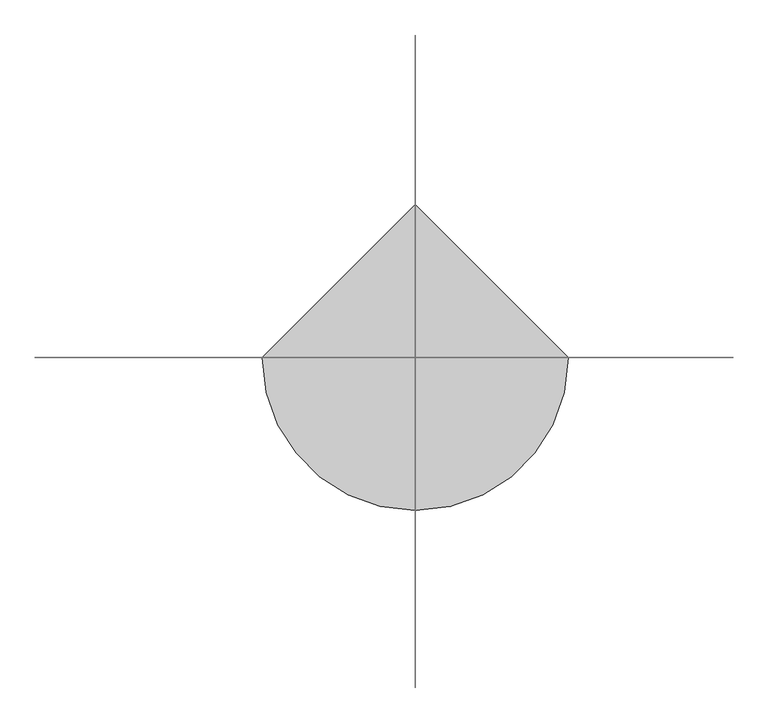
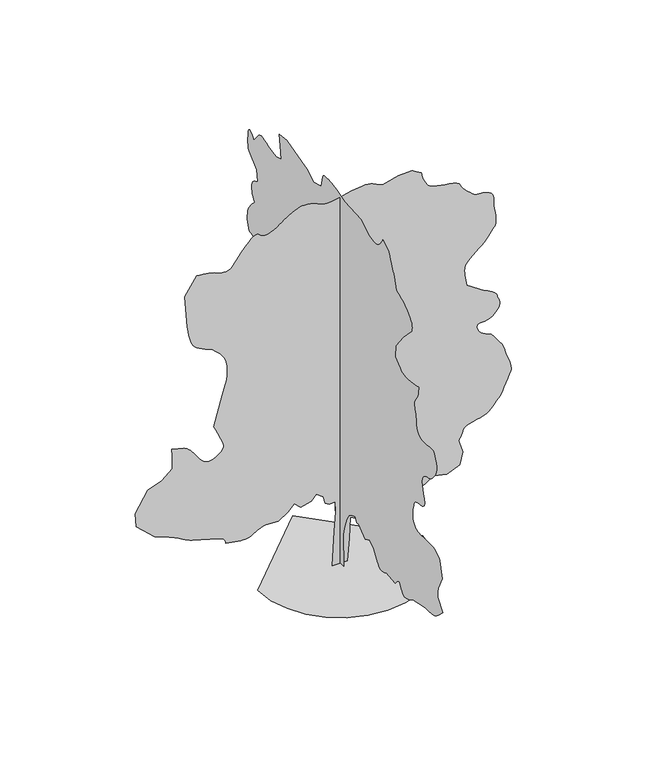
"""IFC4 building model written with IfcOpenShell, lengths in millimetres: geographic element geometry."""

from ifc_helpers import new_model, si_unit, origin, place, context, project, spatial, triangles, source, transform, mapped, element, save


def geographic_element_3799e545(model_context):
    return source(origin(), model_context, "Body", "Tessellation", [
        triangles([(-0.0016876, 163.832478, 0.0085608), (-0.0016876, -150.8808976, 0.0085608), (-0.0016876, -123.5141451, 779.9515205), (-0.0016876, -178.2471505, 1012.5653744), (-0.0016876, -260.3461545, 1231.4963425), (-0.0016876, -356.128771, 1382.0105564), (-0.0016876, -465.5942914, 1450.4273106), (-0.0016876, -602.4255106, 1505.1588535), (-0.0016876, -657.1595243, 1382.0105564), (-0.0016876, -752.9421953, 1409.3761826), (-0.0016876, -862.4076794, 1299.9107712), (-0.0016876, -1012.9218206, 1204.1281002), (-0.0016876, -1190.8042042, 1286.2278854), (-0.0016876, -1355.0011585, 1176.7623287), (-0.0016876, -1464.4667152, 985.1971321), (-0.0016876, -1490.9552147, 947.379019), (-0.0016876, -1518.0429508, 911.3555637), (-0.0016876, -1546.3262535, 878.9241858), (-0.0016876, -1576.4068302, 851.8769268), (-0.0016876, -1608.8786854, 832.0111336), (-0.0016876, -1644.3435265, 821.1189205), (-0.0016876, -1683.3976833, 821.0001051), (-0.0016876, -1720.8568794, 827.6608177), (-0.0016876, -1751.8549873, 835.7598146), (-0.0016876, -1777.4638893, 845.0544508), (-0.0016876, -1798.7681122, 855.307168), (-0.0016876, -1816.8391022, 866.2777193), (-0.0016876, -1832.7565899, 877.7285465), (-0.0016876, -1847.5972538, 889.4144611), (-0.0016876, -2203.3594048, 848.3658766), (-0.0016876, -2238.4248516, 888.8583904), (-0.0016876, -2272.772319, 925.9965305), (-0.0016876, -2305.6839729, 956.4360243), (-0.0016876, -2336.4419792, 976.8200272), (-0.0016876, -2364.3258877, 983.8017958), (-0.0016876, -2388.6204803, 974.0293545), (-0.0016876, -2408.6076324, 944.1484749), (-0.0016876, -2428.6731228, 901.1838009), (-0.0016876, -2453.5261116, 856.783386), (-0.0016876, -2482.9269333, 814.5365461), (-0.0016876, -2516.6373756, 778.0354311), (-0.0016876, -2554.4225693, 750.8693567), (-0.0016876, -2596.0299133, 736.6278568), (-0.0016876, -2641.2265732, 738.9003199), (-0.0016876, -2686.5496788, 752.2242886), (-0.0016876, -2728.9909836, 768.419739), (-0.0016876, -2769.0309814, 787.0115547), (-0.0016876, -2807.1751648, 807.5169165), (-0.0016876, -2843.8787384, 829.4580917), (-0.0016876, -2879.6213242, 852.3546593), (-0.0016876, -2914.8839973, 875.7315754), (-0.0016876, -3407.4722443, 971.5142464), (-0.0016876, -3468.9225632, 971.6355326), (-0.0016876, -3529.5136322, 972.4722548), (-0.0016876, -3588.4361984, 974.7472612), (-0.0016876, -3644.831012, 979.1733719), (-0.0016876, -3697.8891106, 986.4761238), (-0.0016876, -3746.7762428, 997.3657934), (-0.0016876, -3790.6078697, 1012.5653744), (-0.0016876, -3832.8471519, 1034.5444107), (-0.0016876, -3877.2601387, 1064.4252903), (-0.0016876, -3923.4427849, 1100.8885443), (-0.0016876, -3971.09133, 1142.6145584), (-0.0016876, -4019.8017288, 1188.2915668), (-0.0016876, -4069.2199333, 1236.6024261), (-0.0016876, -4119.0171844, 1286.2278854), (-0.0016876, -3927.4367271, 1505.1588535), (-0.0016876, -3921.7492836, 1546.169577), (-0.0016876, -3916.9969574, 1586.9400536), (-0.0016876, -3914.1657349, 1627.2304722), (-0.0016876, -3914.191024, 1666.8053822), (-0.0016876, -3918.0585205, 1705.4197403), (-0.0016876, -3926.7289215, 1742.8410027), (-0.0016876, -3941.1373444, 1778.8238354), (-0.0016876, -4091.6412392, 2093.5374744), (-0.0016876, -3995.8636551, 2476.6653969), (-0.0016876, -3988.3562645, 2487.236554), (-0.0016876, -3966.0105354, 2514.3244354), (-0.0016876, -3929.0796501, 2550.9846977), (-0.0016876, -3877.7659218, 2590.2916008), (-0.0016876, -3812.3469498, 2625.2760933), (-0.0016876, -3733.0503365, 2649.0121445), (-0.0016876, -3640.1039749, 2654.5478531), (-0.0016876, -3536.5408195, 2650.2507317), (-0.0016876, -3429.8685516, 2648.5569397), (-0.0016876, -3327.0132019, 2648.8098312), (-0.0016876, -3234.9513794, 2650.2507317), (-0.0016876, -3160.5841164, 2652.1465462), (-0.0016876, -3110.8880219, 2653.8400475), (-0.0016876, -3092.7638374, 2654.5478531), (-0.0016876, -3082.1470436, 2661.7773537), (-0.0016876, -3054.7966782, 2682.1511101), (-0.0016876, -3017.3600098, 2713.7991783), (-0.0016876, -2976.5869171, 2754.7490044), (-0.0016876, -2939.1758286, 2803.1559334), (-0.0016876, -2911.8251724, 2857.0482834), (-0.0016876, -2901.2086693, 2914.5299492), (-0.0016876, -2903.2056404, 2971.9613274), (-0.0016876, -2908.7919273, 3027.268998), (-0.0016876, -2917.3611717, 3080.7567215), (-0.0016876, -2928.331723, 3132.8291245), (-0.0016876, -2941.0969322, 3183.8143845), (-0.0016876, -2955.050441, 3234.0665497), (-0.0016876, -2969.6103081, 3283.9649574), (-0.0016876, -2981.5921349, 3298.5756935), (-0.0016876, -2994.9892822, 3312.8070923), (-0.0016876, -3011.2682304, 3326.3306854), (-0.0016876, -3031.8443001, 3338.7927155), (-0.0016876, -3058.1836807, 3349.7885559), (-0.0016876, -3091.7019836, 3359.0147369), (-0.0016876, -3133.8148201, 3366.0672134), (-0.0016876, -3184.7497925, 3370.3899147), (-0.0016876, -3239.7795731, 3375.4201309), (-0.0016876, -3292.8629608, 3386.8961746), (-0.0016876, -3338.0596207, 3410.5816475), (-0.0016876, -3369.3786392, 3452.2392792), (-0.0016876, -3380.8296844, 3517.5823837), (-0.0016876, -3366.4212616, 3612.3742722), (-0.0016876, -3336.9471886, 3719.5267433), (-0.0016876, -3309.8747131, 3817.8067909), (-0.0016876, -3289.2480652, 3906.78479), (-0.0016876, -3279.1370544, 3985.9293777), (-0.0016876, -3283.6617783, 4054.7862213), (-0.0016876, -3306.841468, 4112.8745361), (-0.0016876, -3352.7459335, 4159.6891205), (-0.0016876, -3409.0395905, 4192.4996178), (-0.0016876, -3461.2634377, 4212.5954842), (-0.0016876, -3510.3528831, 4225.7653198), (-0.0016876, -3557.3192024, 4237.7215668), (-0.0016876, -3603.071933, 4254.2534065), (-0.0016876, -3648.5973518, 4281.0477013), (-0.0016876, -3694.8302856, 4323.8936325), (-0.0016876, -3741.9480492, 4378.3926315), (-0.0016876, -3786.8921082, 4436.4809464), (-0.0016876, -3825.8705429, 4498.3861794), (-0.0016876, -3855.0411461, 4564.3612221), (-0.0016876, -3870.5617104, 4634.6589661), (-0.0016876, -3868.5900284, 4709.5064323), (-0.0016876, -3845.3344711, 4789.131514), (-0.0016876, -3817.2507202, 4864.434185), (-0.0016876, -3798.2669952, 4925.8842133), (-0.0016876, -3780.7244614, 4972.9516891), (-0.0016876, -3756.9378319, 5005.1811172), (-0.0016876, -3719.2738518, 5022.091713), (-0.0016876, -3660.0733955, 5023.2038544), (-0.0016876, -3571.677047, 5008.0623367), (-0.0016876, -3466.799437, 4991.303476), (-0.0016876, -3365.9916367, 4987.9414719), (-0.0016876, -3273.3231651, 4998.0019043), (-0.0016876, -3192.8638321, 5021.4597748), (-0.0016876, -3128.6581581, 5058.314502), (-0.0016876, -3084.8265312, 5108.592247), (-0.0016876, -3065.3878922, 5172.2418503), (-0.0016876, -3058.7397514, 5240.2388626), (-0.0016876, -3050.651001, 5303.8884659), (-0.0016876, -3041.3486618, 5363.9737518), (-0.0016876, -3031.0859161, 5421.1778183), (-0.0016876, -3020.1153648, 5476.2325974), (-0.0016876, -3008.6646103, 5529.8467667), (-0.0016876, -2996.9862534, 5582.753421), (-0.0016876, -2985.6110756, 5620.8976044), (-0.0016876, -2976.4101837, 5659.1429443), (-0.0016876, -2971.4808334, 5697.6405945), (-0.0016876, -2973.0481796, 5736.4928741), (-0.0016876, -2983.2097687, 5775.8247757), (-0.0016876, -3004.1651756, 5815.7641983), (-0.0016876, -3038.037236, 5856.4105545), (-0.0016876, -3074.2603157, 5906.2836731), (-0.0016876, -3101.6109718, 5968.8211349), (-0.0016876, -3121.3277916, 6036.6414139), (-0.0016876, -3134.573204, 6102.3129868), (-0.0016876, -3142.5610886, 6158.4043304), (-0.0016876, -3146.4538742, 6197.4839218), (-0.0016876, -3147.4901482, 6212.1702347), (-0.0016876, -3127.3184143, 6207.6710907), (-0.0016876, -3073.1481743, 6196.2200455), (-0.0016876, -2994.5596573, 6180.9523727), (-0.0016876, -2901.1328018, 6164.9516052), (-0.0016876, -2802.4231293, 6151.3518539), (-0.0016876, -2708.0355766, 6143.2378143), (-0.0016876, -2627.525956, 6143.7685959), (-0.0016876, -2559.5539421, 6155.5986877), (-0.0016876, -2495.8918396, 6178.2223068), (-0.0016876, -2435.8141113, 6209.8197968), (-0.0016876, -2378.6078648, 6248.5959183), (-0.0016876, -2323.5554111, 6292.7560135), (-0.0016876, -2269.9410965, 6340.5060059), (-0.0016876, -2217.0422905, 6390.0500748), (-0.0016876, -2230.7251762, 6677.4081161), (-0.0016876, -2531.7483719, 7060.5440323), (-0.0016876, -2873.832724, 7416.3037125), (-0.0016876, -2879.1916992, 7460.4132294), (-0.0016876, -2881.4159821, 7505.3825775), (-0.0016876, -2877.4223305, 7552.0198471), (-0.0016876, -2864.1007599, 7601.1598709), (-0.0016876, -2838.3427391, 7653.6618988), (-0.0016876, -2797.0135757, 7710.3346024), (-0.0016876, -2737.0041573, 7772.0633926), (-0.0016876, -2666.6305458, 7831.390004), (-0.0016876, -2596.257225, 7881.3642792), (-0.0016876, -2525.8914619, 7923.5785629), (-0.0016876, -2455.5207573, 7959.5484604), (-0.0016876, -2385.149762, 7990.8680603), (-0.0016876, -2314.778912, 8019.0779663), (-0.0016876, -2244.408062, 8045.7205261), (-0.0016876, -2223.8648392, 8115.8918243), (-0.0016876, -2203.2001122, 8184.874823), (-0.0016876, -2182.2954288, 8251.4568054), (-0.0016876, -2161.0317558, 8314.4488907), (-0.0016876, -2139.2903503, 8372.6383621), (-0.0016876, -2116.9523243, 8424.8625), (-0.0016876, -2093.8939934, 8469.9074249), (-0.0016876, -2068.3228798, 8519.0224503), (-0.0016876, -2040.1179153, 8579.6129379), (-0.0016876, -2011.6753201, 8644.7537292), (-0.0016876, -1985.3865177, 8707.4935043), (-0.0016876, -1963.6449669, 8760.9309402), (-0.0016876, -1948.8448528, 8798.0635574), (-0.0016876, -1943.3773087, 8811.991777), (-0.0016876, -1710.7634548, 8948.8206345), (-0.0016876, -1698.8372932, 8925.2366089), (-0.0016876, -1685.7130943, 8900.944487), (-0.0016876, -1670.1925301, 8875.2117554), (-0.0016876, -1651.0851208, 8847.3303177), (-0.0016876, -1627.1899223, 8816.5670792), (-0.0016876, -1597.3090427, 8782.2145248), (-0.0016876, -1560.2492409, 8743.5645584), (-0.0016876, -1515.6086517, 8710.0968338), (-0.0016876, -1464.5071198, 8690.2794388), (-0.0016876, -1408.0188526, 8681.811351), (-0.0016876, -1347.2231449, 8682.4432892), (-0.0016876, -1283.194495, 8689.8998108), (-0.0016876, -1217.0121975, 8701.9072174), (-0.0016876, -1149.7530035, 8716.1889038), (-0.0016876, -848.7222502, 8921.4449799), (-0.0016876, -191.9302724, 8962.4959625), (-0.0016876, -107.0787747, 8985.8270966), (-0.0016876, -23.3040554, 9008.4507156), (-0.0016876, 58.316385, 9029.633725), (-0.0016876, 136.7053639, 9048.6680283), (-0.0016876, 210.7859892, 9064.8205307), (-0.0016876, 279.4814328, 9077.3837173), (-0.0016876, 341.7128632, 9085.6494919), (-0.0016876, 403.0696558, 9091.9432938), (-0.0016876, 467.2954594, 9097.5295807), (-0.0016876, 530.565798, 9100.0073364), (-0.0016876, 589.0485291, 9096.9738007), (-0.0016876, 638.9140537, 9086.053537), (-0.0016876, 676.3327726, 9064.8205307), (-0.0016876, 697.4776302, 9030.9225998), (-0.0016876, 765.8919863, 8757.2398865), (-0.0016876, 1066.9227396, 8675.1629196), (-0.0016876, 1340.5877941, 8839.3424332), (-0.0016876, 1682.6672047, 8921.4449799), (-0.0016876, 2134.2120266, 9058.2732559), (-0.0016876, 2435.2427799, 9017.2222733), (-0.0016876, 2407.8745377, 8757.2398865), (-0.0016876, 2353.1429947, 8456.2320969), (-0.0016876, 2572.0665504, 8387.8048782), (-0.0016876, 2790.9973732, 8428.8564423), (-0.0016876, 2875.6526711, 8460.6556641), (-0.0016876, 2958.0331078, 8489.6998215), (-0.0016876, 3035.8635315, 8513.2332687), (-0.0016876, 3106.8687904, 8528.5015228), (-0.0016876, 3168.7993126, 8532.7733551), (-0.0016876, 3219.3296585, 8523.2687027), (-0.0016876, 3256.2352547, 8497.2580811), (-0.0016876, 3461.49104, 8250.9766022), (-0.0016876, 3508.1286003, 8305.5005997), (-0.0016876, 3553.0723686, 8352.9721207), (-0.0016876, 3594.6797127, 8386.33927), (-0.0016876, 3631.2568405, 8398.4978302), (-0.0016876, 3661.1349586, 8382.4209045), (-0.0016876, 3682.6464363, 8331.0310181), (-0.0016876, 3694.0971909, 8237.2756943), (-0.0016876, 3697.5603516, 8133.1564682), (-0.0016876, 3696.7261002, 8052.7480042), (-0.0016876, 3692.302533, 7992.0557785), (-0.0016876, 3684.9971649, 7947.187587), (-0.0016876, 3675.5433815, 7914.1494873), (-0.0016876, 3664.6486977, 7889.0236954), (-0.0016876, 3653.0462082, 7867.840686), (-0.0016876, 3338.3375107, 7607.8588806), (-0.0016876, 3310.9618561, 7320.5258377), (-0.0016876, 3354.7176155, 7302.679834), (-0.0016876, 3397.1842094, 7283.418219), (-0.0016876, 3436.9968956, 7261.2748032), (-0.0016876, 3472.840638, 7234.8339752), (-0.0016876, 3503.4521416, 7202.630127), (-0.0016876, 3527.4660828, 7163.2476471), (-0.0016876, 3543.5680069, 7115.270343), (-0.0016876, 3549.7359444, 7062.4904251), (-0.0016876, 3545.8178696, 7009.7099258), (-0.0016876, 3533.5328636, 6956.9300079), (-0.0016876, 3514.5491386, 6904.15009), (-0.0016876, 3490.5351974, 6851.3701721), (-0.0016876, 3463.1592522, 6798.5902542), (-0.0016876, 3434.1150948, 6745.8097549), (-0.0016876, 3477.9217232, 6701.8263931), (-0.0016876, 3520.6412086, 6657.6912964), (-0.0016876, 3561.2119881, 6613.3288879), (-0.0016876, 3598.5472092, 6568.6124313), (-0.0016876, 3631.5853088, 6523.4157715), (-0.0016876, 3659.2391441, 6477.6127533), (-0.0016876, 3680.4221535, 6431.1016388), (-0.0016876, 3695.6139587, 6385.7782425), (-0.0016876, 3706.5086426, 6343.336647), (-0.0016876, 3713.8140106, 6303.2966492), (-0.0016876, 3718.2375778, 6265.1524658), (-0.0016876, 3720.5127296, 6228.4494736), (-0.0016876, 3721.3466904, 6192.7063065), (-0.0016876, 3721.4731361, 6157.443924), (-0.0016876, 3639.3708801, 5924.8377731), (-0.0016876, 3601.2772751, 5918.7207047), (-0.0016876, 3563.2848267, 5911.1874435), (-0.0016876, 3525.5449791, 5900.772963), (-0.0016876, 3488.1591797, 5886.0616516), (-0.0016876, 3451.2788727, 5865.5867386), (-0.0016876, 3414.9546364, 5837.9326126), (-0.0016876, 3379.388784, 5801.6842438), (-0.0016876, 3346.9826225, 5758.63629), (-0.0016876, 3319.6319664, 5711.998439), (-0.0016876, 3296.4522766, 5662.378212), (-0.0016876, 3276.6093018, 5610.3563873), (-0.0016876, 3259.2937889, 5556.5399048), (-0.0016876, 3243.6723587, 5501.535704), (-0.0016876, 3228.8593094, 5445.9245636), (-0.0016876, 3196.8324852, 5401.9156219), (-0.0016876, 3166.119825, 5357.806105), (-0.0016876, 3138.0363647, 5313.4436966), (-0.0016876, 3113.8959778, 5268.7016602), (-0.0016876, 3095.0386986, 5223.5050003), (-0.0016876, 3082.7284035, 5177.7269806), (-0.0016876, 3078.3554146, 5131.2158661), (-0.0016876, 3092.0307426, 4761.7555687), (-0.0016876, 3124.0575668, 4758.5200104), (-0.0016876, 3154.7955162, 4753.4897942), (-0.0016876, 3182.8792671, 4744.8952606), (-0.0016876, 3206.9940742, 4730.8914642), (-0.0016876, 3225.8766426, 4709.7087456), (-0.0016876, 3238.1616486, 4679.5268669), (-0.0016876, 3242.5599266, 4638.60233), (-0.0016876, 3241.3466286, 4591.3075424), (-0.0016876, 3238.0099136, 4543.2543709), (-0.0016876, 3232.8532516, 4494.6451286), (-0.0016876, 3226.2809784, 4445.530394), (-0.0016876, 3218.6218529, 4396.0616112), (-0.0016876, 3210.2296326, 4346.3655167), (-0.0016876, 3201.5089439, 4296.5176872), (-0.0016876, 3187.8083267, 4022.8602631), (-0.0016876, 3447.7904228, 4036.5608803), (-0.0016876, 3735.1484642, 4091.2874817), (-0.0016876, 3796.2953133, 4070.5849663), (-0.0016876, 3854.9399895, 4048.7953079), (-0.0016876, 3908.5541588, 4024.8572342), (-0.0016876, 3954.6356483, 3997.6836021), (-0.0016876, 3990.6564148, 3966.2128487), (-0.0016876, 4014.1142853, 3929.3578308), (-0.0016876, 4022.4812164, 3886.0316963), (-0.0016876, 4020.1051987, 3831.1536507), (-0.0016876, 4013.4064796, 3761.8924713), (-0.0016876, 4003.0931557, 3680.6747543), (-0.0016876, 3989.9486092, 3589.8768082), (-0.0016876, 3974.6303581, 3491.9002304), (-0.0016876, 3957.8712067, 3389.1207481), (-0.0016876, 3940.4042496, 3283.9649574), (-0.0016876, 3817.2507202, 2955.5812225), (-0.0016876, 3749.986512, 2917.841375), (-0.0016876, 3683.809156, 2882.3766792), (-0.0016876, 3619.7805061, 2851.4619965), (-0.0016876, 3558.9874146, 2827.3721878), (-0.0016876, 3502.4917351, 2812.3571159), (-0.0016876, 3451.3800293, 2808.742511), (-0.0016876, 3406.7394402, 2818.7523651), (-0.0016876, 3023.6291039, 2982.9318787), (-0.0016876, 2640.4934784, 2859.8036385), (-0.0016876, 2366.8258804, 2668.2231812), (-0.0016876, 2093.1633694, 2257.7344288), (-0.0016876, 2066.6748699, 2216.9235477), (-0.0016876, 2039.5871338, 2177.5508057), (-0.0016876, 2011.301215, 2141.0496906), (-0.0016876, 1981.2232544, 2108.8558708), (-0.0016876, 1948.7513992, 2082.4076305), (-0.0016876, 1913.2865582, 2063.1384579), (-0.0016876, 1874.2324013, 2052.4863464), (-0.0016876, 1835.2565826, 2048.9374352), (-0.0016876, 1798.6745132, 2049.2154705), (-0.0016876, 1761.8523422, 2052.1273567), (-0.0016876, 1722.1611603, 2056.4752018), (-0.0016876, 1676.9618843, 2061.0631485), (-0.0016876, 1623.6257504, 2064.6930141), (-0.0016876, 1559.5187622, 2066.1692322), (-0.0016876, 1490.742873, 2060.9848103), (-0.0016876, 1424.841227, 2046.4627316), (-0.0016876, 1361.330714, 2024.1626392), (-0.0016876, 1299.7363632, 1995.6390896), (-0.0016876, 1239.5776806, 1962.4494003), (-0.0016876, 1180.377079, 1926.1479824), (-0.0016876, 1121.6567533, 1888.2893921), (-0.0016876, 1039.5569681, 1655.6755383), (-0.0016876, 806.9431143, 1395.6932968), (-0.0016876, 774.8277054, 1360.9060307), (-0.0016876, 737.6895653, 1326.8392147), (-0.0016876, 696.3603292, 1293.368874), (-0.0016876, 651.6793356, 1260.3787365), (-0.0016876, 604.4856683, 1227.745118), (-0.0016876, 555.6186293, 1195.3541445), (-0.0016876, 505.912361, 1163.0795156), (-0.0016876, 423.8126121, 1450.4273106), (-0.0016876, 286.9813565, 1641.9900364), (-0.0016876, 232.2486145, 1518.8417393), (-0.0016876, 191.1987401, 1327.2790134), (-0.0016876, 177.5158543, 985.1971321), (-0.0016876, 150.1493561, 506.286466), (169.54274, 0.0004339, 0.0216695), (-186.21952, 0.0004339, 0.0216695), (-131.4872685, 0.0003851, 821.0127497), (-104.1207612, 0.0003564, 1299.9234158), (-117.8038922, 0.0003417, 1546.2226261), (-254.6358926, 0.0003425, 1532.5397404), (-350.4185091, 0.0003394, 1587.2712833), (-391.46713, 0.0003287, 1765.1535942), (-555.6666641, 0.0003221, 1874.6191509), (-665.1321482, 0.0003294, 1751.4707085), (-911.4288877, 0.0003336, 1683.0539543), (-1061.9455725, 0.0003255, 1819.8851372), (-1212.4596411, 0.0003344, 1669.3710686), (-1431.3906818, 0.0003425, 1532.5397404), (-1759.7872066, 0.0003417, 1546.2226261), (-1923.984161, 0.0003459, 1477.8057266), (-1959.2517757, 0.0003475, 1451.5952625), (-1994.9945068, 0.000349, 1426.464093), (-2031.695319, 0.0003503, 1403.4865711), (-2069.8345608, 0.0003514, 1383.7395206), (-2109.8872032, 0.0003524, 1368.2997654), (-2152.3311241, 0.000353, 1358.2468906), (-2197.6491428, 0.0003532, 1354.6574295), (-2248.1541996, 0.0003532, 1356.2523903), (-2305.1201992, 0.000353, 1360.7215942), (-2367.4704632, 0.0003524, 1367.5819313), (-2434.1331093, 0.0003519, 1376.3584305), (-2504.0236107, 0.0003514, 1386.5705978), (-2576.060202, 0.0003506, 1397.7408463), (-2649.1888779, 0.0003501, 1409.3914433), (-2652.5761711, 0.0003483, 1438.632827), (-2658.7188194, 0.0003464, 1467.3938622), (-2670.3718872, 0.0003449, 1495.1994324), (-2690.2907295, 0.0003433, 1521.5691891), (-2721.2054123, 0.0003417, 1546.022929), (-2765.8712906, 0.0003404, 1568.0829197), (-2827.068718, 0.0003394, 1587.2712833), (-3429.1354568, 0.0003287, 1765.1535942), (-3478.2754807, 0.0003279, 1780.7500259), (-3530.7775085, 0.0003266, 1802.8124874), (-3584.9477486, 0.000325, 1829.419875), (-3639.1179886, 0.0003232, 1858.6612587), (-3691.6200165, 0.0003213, 1888.6204765), (-3740.7853294, 0.0003198, 1917.3841278), (-3784.895137, 0.0003182, 1943.0335796), (-3832.3416595, 0.0003166, 1967.6868713), (-3891.2642258, 0.0003151, 1994.4965721), (-3959.741732, 0.0003132, 2023.09846), (-4035.903653, 0.0003117, 2053.1384869), (-4117.8038864, 0.0003098, 2084.2554829), (-4203.5207474, 0.0003078, 2116.0878422), (-4291.1842918, 0.0003059, 2148.281662), (-4715.3456108, 0.0002822, 2545.0949409), (-4742.7215561, 0.0002626, 2873.4789665), (-4455.3635147, 0.0002349, 3338.716848), (-4126.9794891, 0.0002276, 3461.8700867), (-3880.6727211, 0.0002153, 3667.125872), (-3880.6727211, 0.0001967, 3981.8345695), (-3894.3733383, 0.0001868, 4146.0390816), (-3607.0152969, 0.000191, 4077.6121536), (-3574.6597137, 0.0001923, 4056.7579033), (-3541.7227707, 0.0001936, 4033.8561035), (-3507.5725296, 0.0001952, 4006.8847847), (-3471.6273399, 0.000197, 3973.8213959), (-3433.281134, 0.0001996, 3932.5933891), (-3391.95168, 0.0002027, 3881.2287918), (-3347.0332008, 0.0002064, 3817.6297668), (-3301.507782, 0.0002103, 3750.8207634), (-3257.6761551, 0.000214, 3691.8981972), (-3213.8445282, 0.0002168, 3642.0756569), (-3168.3191093, 0.0002192, 3602.5411514), (-3119.4572662, 0.000221, 3574.4826897), (-3065.5649162, 0.0002218, 3559.1391495), (-3004.9488487, 0.0002218, 3557.6476707), (-2938.6956253, 0.000221, 3572.8144775), (-2871.9621986, 0.0002192, 3603.5268471), (-2809.2732925, 0.0002166, 3645.2606369), (-2755.2294983, 0.0002137, 3693.4399635), (-2714.3299599, 0.0002108, 3743.5406845), (-2691.1502701, 0.000208, 3791.0124962), (-2690.2401512, 0.0002056, 3831.3050949), (-2706.3673645, 0.000203, 3874.8841209), (-2730.3813057, 0.0001996, 3933.5285065), (-2760.9675201, 0.0001952, 4004.7360786), (-2796.8365517, 0.0001905, 4085.9790848), (-2836.6492378, 0.0001852, 4174.7797691), (-2879.0905426, 0.0001795, 4268.6109604), (-2922.846302, 0.0001737, 4364.970195), (-2731.2914246, 0.0001322, 5062.7886475), (-2705.078199, 0.0001275, 5141.7820816), (-2679.9521164, 0.0001228, 5219.6883728), (-2656.9744492, 0.0001183, 5295.4459579), (-2637.2326309, 0.0001139, 5367.9932739), (-2621.7879341, 0.00011, 5436.1925995), (-2611.727211, 0.0001061, 5499.0329498), (-2608.1378952, 0.0001029, 5555.4027649), (-2609.0730125, 9.95e-05, 5610.4069656), (-2612.1318375, 9.61e-05, 5668.7737518), (-2617.8445702, 9.25e-05, 5728.8084595), (-2626.6664154, 8.88e-05, 5788.8431671), (-2639.052578, 8.54e-05, 5847.2093719), (-2655.5338394, 8.2e-05, 5902.2141541), (-2676.5648232, 7.92e-05, 5952.2134277), (-2703.6120094, 7.63e-05, 5998.7245422), (-2737.1303123, 7.37e-05, 6044.5281418), (-2776.0075905, 7.11e-05, 6089.7248016), (-2819.2075699, 6.82e-05, 6134.4412582), (-2865.6428169, 6.56e-05, 6178.8036667), (-2914.2520592, 6.3e-05, 6222.9131836), (-2963.8975754, 6.03e-05, 6266.9221252), (-3042.7389839, 5.85e-05, 6299.2271301), (-3119.532843, 5.64e-05, 6331.9111816), (-3192.2571831, 5.46e-05, 6365.3033295), (-3258.864164, 5.25e-05, 6399.7570404), (-3317.3571053, 5.04e-05, 6435.6769409), (-3365.6628777, 4.81e-05, 6473.3659195), (-3401.7595116, 4.57e-05, 6513.229184), (-3430.1717308, 4.26e-05, 6566.36315), (-3456.4355347, 3.84e-05, 6638.4046829), (-3480.0448494, 3.34e-05, 6721.4676361), (-3500.5453423, 2.82e-05, 6807.6397018), (-3517.455938, 2.33e-05, 6889.0085724), (-3530.2973053, 1.93e-05, 6957.713681), (-3538.6136581, 1.65e-05, 7005.8171402), (-3593.3399689, -2.93e-05, 7772.0633926), (-3319.6572556, -5.46e-05, 8196.2497101), (-3246.5538689, -5.41e-05, 8187.3519974), (-3174.5120453, -5.36e-05, 8177.8729248), (-3104.6192184, -5.28e-05, 8167.1805542), (-3037.9363701, -5.2e-05, 8154.6935257), (-2975.6012215, -5.12e-05, 8139.8048996), (-2918.6250481, -5.02e-05, 8121.933316), (-2868.1199913, -4.89e-05, 8100.4724167), (-2816.7806831, -4.75e-05, 8079.7190323), (-2758.970549, -4.68e-05, 8065.2100342), (-2698.3039032, -4.62e-05, 8058.1069794), (-2638.3447723, -4.65e-05, 8059.6237473), (-2582.6830536, -4.7e-05, 8070.948056), (-2534.9333519, -4.83e-05, 8093.2937851), (-2498.6774254, -5.04e-05, 8127.8230728), (-2279.7464573, -6.77e-05, 8415.1811142), (-2221.2636898, -7.16e-05, 8482.1165634), (-2163.7390034, -7.55e-05, 8546.0696365), (-2108.1303337, -7.89e-05, 8604.0312149), (-2055.3908203, -8.18e-05, 8653.0195038), (-2006.4833405, -8.41e-05, 8690.0515457), (-1962.3608883, -8.54e-05, 8712.0938049), (-1923.984161, -8.57e-05, 8716.2144836), (-1893.1072666, -8.49e-05, 8705.9261581), (-1867.9760971, -8.39e-05, 8689.1672974), (-1844.2807411, -8.28e-05, 8669.5260544), (-1817.7112873, -8.18e-05, 8650.6184875), (-1783.9629112, -8.07e-05, 8636.0333313), (-1738.7232307, -8.05e-05, 8629.3343216), (-1677.6874214, -8.07e-05, 8634.111937), (-1604.7635296, -8.2e-05, 8654.8653214), (-1529.9260918, -8.39e-05, 8689.4957657), (-1457.9576649, -8.65e-05, 8731.7600464), (-1393.6509796, -8.91e-05, 8775.4905167), (-1341.7909184, -9.14e-05, 8814.4183731), (-1307.1629448, -9.3e-05, 8842.3503891), (-1294.5568829, -9.38e-05, 8853.0427597), (-1279.1197437, -9.43e-05, 8862.9264587), (-1238.0710865, -9.59e-05, 8888.6341919), (-1179.3078129, -9.8e-05, 8924.1238861), (-1110.7316935, -0.0001003, 8963.456369), (-1040.242028, -0.0001024, 9000.6401459), (-975.7356457, -0.0001042, 9029.6843033), (-925.1117735, -0.000105, 9044.5979279), (-877.0814203, -0.0001053, 9047.9093536), (-817.3222046, -0.0001053, 9045.9629608), (-749.1858839, -0.0001048, 9038.5064392), (-676.0218178, -0.000104, 9025.3113144), (-601.18438, -0.0001029, 9006.1252762), (-528.0203138, -0.0001014, 8980.6960144), (-459.8840295, -9.95e-05, 8948.8206345), (-387.3999364, -9.8e-05, 8922.8094315), (-300.5530027, -9.74e-05, 8913.3303589), (-201.7383039, -9.74e-05, 8917.6021912), (-93.349898, -9.85e-05, 8932.8704453), (22.2192084, -9.98e-05, 8956.4038925), (142.5753726, -0.0001016, 8985.4480499), (265.3258651, -0.0001035, 9017.2472717), (350.0570486, -0.0001042, 9028.7238968), (432.9935197, -0.0001048, 9038.7843292), (512.3404933, -0.0001053, 9045.9629608), (586.3008044, -0.0001053, 9048.8447617), (653.0822296, -0.0001053, 9045.9629608), (710.8874949, -0.0001045, 9035.9025284), (757.9193624, -0.0001035, 9017.2472717), (797.3729862, -0.0001022, 8995.3823273), (833.9549829, -0.0001011, 8976.3986023), (868.1432304, -0.0001001, 8959.7908951), (900.4153885, -9.93e-05, 8945.1045822), (931.2542765, -9.85e-05, 8931.8844589), (961.1326126, -9.77e-05, 8919.5741638), (990.5332163, -9.69e-05, 8907.7696518), (1346.2954399, -0.0001027, 9003.5469452), (1661.009079, -0.0001035, 9017.2472717), (1879.9426632, -9.61e-05, 8894.0943237), (1883.0923256, -9.43e-05, 8861.7131607), (1887.5613842, -9.22e-05, 8828.4727478), (1894.6619682, -9.01e-05, 8793.5644135), (1905.7133286, -8.8e-05, 8756.1533249), (1922.0275944, -8.54e-05, 8715.3802322), (1944.926778, -8.28e-05, 8670.4108841), (1975.722718, -7.99e-05, 8620.4366089), (2006.6804214, -7.71e-05, 8574.6835876), (2032.3702778, -7.52e-05, 8540.8873947), (2057.5824017, -7.37e-05, 8515.9633347), (2087.1042915, -7.24e-05, 8496.752298), (2125.7186497, -7.16e-05, 8480.1957504), (2178.2180614, -7.05e-05, 8463.1834167), (2249.3878452, -6.92e-05, 8442.5567688), (2337.1118511, -6.82e-05, 8422.6882141), (2431.7771484, -6.71e-05, 8407.5978561), (2526.9201782, -6.64e-05, 8393.7202148), (2616.0752014, -6.53e-05, 8377.440976), (2692.7931931, -6.4e-05, 8355.171405), (2750.6036179, -6.22e-05, 8323.3466034), (2783.0350685, -5.96e-05, 8278.3522568), (2806.9984314, -5.64e-05, 8225.976384), (2842.4631271, -5.33e-05, 8174.3086075), (2887.5080521, -5.02e-05, 8123.2477707), (2940.2123932, -4.73e-05, 8072.6665558), (2998.6544655, -4.42e-05, 8022.4399704), (3060.9137466, -4.13e-05, 7972.4656952), (3125.1194206, -3.81e-05, 7922.5925766), (3215.3862946, -3.76e-05, 7913.3408157), (3301.9626961, -3.71e-05, 7901.3339905), (3381.1075745, -3.61e-05, 7883.8164551), (3449.1301666, -3.45e-05, 7858.0331451), (3502.2894218, -3.21e-05, 7821.2539948), (3536.9198662, -2.93e-05, 7770.7233582), (3549.2807396, -2.53e-05, 7703.6617538), (3550.0897018, -2.12e-05, 7633.7939255), (3552.3142754, -1.75e-05, 7575.4527191), (3555.7518562, -1.46e-05, 7526.6411636), (3560.1501343, -1.23e-05, 7485.5140228), (3565.2565086, -1.02e-05, 7450.1504837), (3570.8427956, -8.1e-06, 7418.5785736), (3576.6566849, -6.5e-06, 7388.9530563), (3588.1074394, -2.4e-06, 7318.807338), (3597.8899818, 1.8e-06, 7250.1272278), (3604.3105202, 5.7e-06, 7184.30392), (3605.7008423, 9.4e-06, 7122.7780243), (3600.3924454, 1.28e-05, 7067.0151489), (3586.7171173, 1.57e-05, 7018.4309052), (3562.9813568, 1.8e-05, 6978.4414856), (3532.6986122, 2.04e-05, 6940.1205688), (3500.01427, 2.3e-05, 6896.2633621), (3464.2463951, 2.59e-05, 6848.1093246), (3424.6360222, 2.87e-05, 6796.8455933), (3380.4756363, 3.19e-05, 6743.6866287), (3331.0324333, 3.53e-05, 6689.7945694), (3275.6233154, 3.84e-05, 6636.3571335), (3211.2914864, 4.18e-05, 6581.2767746), (3139.5025543, 4.52e-05, 6522.3542084), (3066.298011, 4.89e-05, 6460.8027328), (2997.6434807, 5.25e-05, 6397.8106476), (2939.5298767, 5.64e-05, 6334.5906693), (2897.9225327, 6.01e-05, 6272.3060989), (2878.8126526, 6.37e-05, 6212.1958145), (2875.7538277, 6.71e-05, 6152.7424667), (2877.7002205, 7.08e-05, 6091.8735077), (2883.8428688, 7.45e-05, 6029.7912506), (2893.3472305, 7.84e-05, 5966.7735855), (2905.3540558, 8.2e-05, 5903.0228256), (2919.0293839, 8.6e-05, 5838.7918625), (2933.5389633, 8.99e-05, 5774.3335876), (3344.0502434, 0.0001061, 5500.6508743), (3359.950145, 0.0001066, 5493.5733994), (3401.0011276, 0.0001076, 5474.0083145), (3457.1433403, 0.0001095, 5444.6606873), (3518.2901894, 0.0001116, 5408.1088486), (3574.4321114, 0.0001142, 5367.0322861), (3615.4833847, 0.0001165, 5324.0099121), (3631.3829956, 0.0001191, 5281.7200516), (3639.9269508, 0.0001215, 5241.8062088), (3659.4667465, 0.0001238, 5201.8673676), (3680.9276459, 0.0001264, 5158.5915207), (3695.209623, 0.0001296, 5108.592247), (3693.2126518, 0.000133, 5048.5575394), (3665.8619957, 0.0001374, 4975.1253937), (3604.0326302, 0.0001429, 4884.9088074), (3518.7451035, 0.0001473, 4808.1658173), (3431.0565605, 0.0001497, 4768.504866), (3346.9573334, 0.0001507, 4752.8072777), (3272.4383354, 0.000151, 4747.8529289), (3213.4651909, 0.0001515, 4740.4969826), (3176.0541023, 0.0001528, 4717.620472), (3166.1704033, 0.000156, 4665.9779846), (3180.4018021, 0.0001596, 4601.5955772), (3209.7241402, 0.0001628, 4547.9814079), (3251.6093742, 0.0001656, 4503.3408188), (3303.5553314, 0.0001677, 4465.8791519), (3363.0339684, 0.0001696, 4433.8014587), (3427.5428215, 0.0001714, 4405.3386612), (3494.5544289, 0.000173, 4378.6452324), (3561.5404564, 0.0001779, 4293.9140671), (3625.7714195, 0.0001829, 4210.9778503), (3684.4916725, 0.0001876, 4131.6306587), (3734.946151, 0.000192, 4057.6677315), (3774.404789, 0.0001962, 3990.8840172), (3800.087233, 0.0001996, 3933.0735924), (3809.2628357, 0.0002022, 3886.0569855), (3820.4357002, 0.0002056, 3829.7886177), (3848.3677162, 0.0002106, 3749.379863), (3884.6666634, 0.0002161, 3654.1077713), (3920.9656105, 0.0002221, 3553.3505493), (3948.8976265, 0.0002278, 3456.4102455), (3960.0702003, 0.000233, 3372.6394867), (3946.0916931, 0.0002367, 3311.3409027), (3913.6602425, 0.0002401, 3250.8259918), (3875.9709732, 0.0002451, 3169.026915), (3834.4394966, 0.0002508, 3074.7408096), (3790.5320023, 0.0002566, 2976.890387), (3745.6388123, 0.000262, 2884.2977829), (3701.250824, 0.0002667, 2805.835421), (3658.7589409, 0.0002701, 2750.3507263), (3617.5562233, 0.0002727, 2706.3926537), (3575.3928085, 0.0002756, 2658.3394821), (3531.3082901, 0.0002785, 2608.87099), (3484.3422615, 0.0002814, 2560.6155052), (3433.559024, 0.000284, 2516.1722878), (3377.9984619, 0.0002863, 2478.1949547), (3316.6745888, 0.0002879, 2449.3124153), (3244.2031403, 0.0002892, 2427.8894497), (3160.685273, 0.0002905, 2408.6227478), (3073.6030884, 0.0002916, 2388.6355957), (2990.3634018, 0.0002929, 2365.0589825), (2918.3468674, 0.0002947, 2335.0214264), (2865.0108788, 0.000297, 2295.6462135), (2837.7613792, 0.0003002, 2244.064333), (2823.176223, 0.0003033, 2192.3635643), (2804.7232796, 0.0003057, 2152.1516293), (2785.3352188, 0.0003075, 2119.8390667), (2767.8682617, 0.0003093, 2091.8337994), (2755.17892, 0.0003109, 2064.5463661), (2750.1484131, 0.0003127, 2034.3874512), (2755.6591232, 0.0003148, 1997.7675934), (2837.7613792, 0.0003305, 1737.7879681), (2769.3597404, 0.0003483, 1436.7572147), (2468.3188133, 0.0003556, 1313.6087723), (2167.28806, 0.0003516, 1382.0230556), (1866.2573067, 0.0003629, 1190.4604025), (1647.3261932, 0.0003556, 1313.6087723), (1332.6125542, 0.0003475, 1450.4399551), (1311.9885223, 0.0003483, 1438.4305138), (1290.7652538, 0.000349, 1424.747628), (1268.3462734, 0.0003501, 1407.7155281), (1244.1301643, 0.0003514, 1385.6530666), (1217.5227768, 0.000353, 1356.8918861), (1187.922476, 0.0003553, 1319.7512753), (1154.7327868, 0.0003582, 1272.5576443), (1119.9454479, 0.0003611, 1222.9701187), (1085.8785593, 0.0003637, 1179.1283907), (1052.4082186, 0.000366, 1140.0741611), (1019.415683, 0.0003681, 1104.849567), (986.7845352, 0.0003699, 1072.4965273), (954.3910183, 0.0003718, 1042.0595043), (922.1188602, 0.0003736, 1012.578019), (963.1675175, 0.0003908, 725.2301514), (939.5909042, 0.0003914, 716.5724676), (915.2963842, 0.0003916, 708.7540495), (889.5661234, 0.0003921, 702.6115465), (861.6796715, 0.0003924, 698.9816809), (830.9242086, 0.0003924, 698.7035728), (796.5766685, 0.0003921, 702.6115465), (757.9193624, 0.0003916, 711.5472656), (717.6670229, 0.0003906, 726.4661951), (678.8529676, 0.0003895, 747.1307768), (641.2345516, 0.000388, 772.5830023), (604.5716005, 0.0003861, 801.8647905), (568.6290997, 0.0003843, 834.0182058), (533.1643676, 0.0003822, 868.0850945), (497.9397371, 0.0003801, 903.1125349), (237.9583677, 0.000372, 1039.9437178), (210.5928688, 0.0004021, 533.6648458), (-1907.5334209, 0.0, 0.0), (-1857.1042316, -437.0809155, 0.0), (-1713.4833469, -838.4696056, 0.0), (-1488.1696289, -1192.6646284, 0.0), (-1192.6646284, -1488.1696289, 0.0), (-838.4696056, -1713.4833469, 0.0), (-437.0809155, -1857.1042316, 0.0), (8.34e-05, -1907.5334209, 0.0), (437.0809155, -1857.1042316, 0.0), (838.4696056, -1713.4833469, 0.0), (1192.6646284, -1488.1696289, 0.0), (1488.1696289, -1192.6646284, 0.0), (1713.4833469, -838.4696056, 0.0), (1857.1042316, -437.0809155, 0.0), (1907.5334209, 0.0001667, 0.0), (-0.0002501, 1907.5334209, 0.0)], [[407, 408, 409], [173, 174, 175], [406, 407, 409], [219, 220, 221], [1, 2, 3], [414, 1, 3], [413, 414, 3], [413, 3, 4], [412, 413, 4], [412, 4, 5], [255, 256, 257], [219, 221, 222], [65, 66, 67], [405, 406, 409], [8, 9, 10], [219, 222, 223], [404, 405, 409], [64, 65, 67], [412, 5, 6], [411, 412, 6], [403, 404, 409], [219, 223, 224], [172, 173, 175], [172, 175, 176], [171, 172, 176], [171, 176, 177], [170, 171, 177], [254, 255, 257], [254, 257, 258], [402, 403, 409], [63, 64, 67], [218, 219, 224], [401, 402, 409], [218, 224, 225], [217, 218, 225], [312, 313, 314], [216, 217, 225], [216, 225, 226], [170, 177, 178], [169, 170, 178], [168, 169, 178], [167, 168, 178], [167, 178, 179], [166, 167, 179], [166, 179, 180], [165, 166, 180], [11, 12, 13], [216, 226, 227], [215, 216, 227], [400, 401, 409], [400, 409, 410], [399, 400, 410], [29, 30, 31], [62, 63, 67], [214, 215, 227], [214, 227, 228], [410, 411, 6], [410, 6, 7], [165, 180, 181], [164, 165, 181], [312, 314, 315], [61, 62, 67], [213, 214, 228], [60, 61, 67], [59, 60, 67], [58, 59, 67], [57, 58, 67], [56, 57, 67], [55, 56, 67], [54, 55, 67], [53, 54, 67], [52, 53, 67], [52, 67, 68], [52, 68, 69], [253, 254, 258], [252, 253, 258], [29, 31, 32], [271, 272, 273], [271, 273, 274], [270, 271, 274], [270, 274, 275], [269, 270, 275], [268, 269, 275], [268, 275, 276], [268, 276, 277], [268, 277, 278], [268, 278, 279], [268, 279, 280], [268, 280, 281], [268, 281, 282], [268, 282, 283], [267, 268, 283], [266, 267, 283], [265, 266, 283], [264, 265, 283], [263, 264, 283], [262, 263, 283], [261, 262, 283], [260, 261, 283], [259, 260, 283], [259, 283, 284], [52, 69, 70], [212, 213, 228], [212, 228, 229], [211, 212, 229], [210, 211, 229], [209, 210, 229], [208, 209, 229], [10, 11, 13], [163, 164, 181], [163, 181, 182], [312, 315, 316], [51, 52, 70], [51, 70, 71], [51, 71, 72], [207, 208, 229], [207, 229, 230], [206, 207, 230], [366, 367, 368], [74, 75, 76], [74, 76, 77], [74, 77, 78], [74, 78, 79], [74, 79, 80], [74, 80, 81], [74, 81, 82], [74, 82, 83], [74, 83, 84], [74, 84, 85], [74, 85, 86], [73, 74, 86], [73, 86, 87], [73, 87, 88], [72, 73, 88], [51, 72, 88], [51, 88, 89], [51, 89, 90], [51, 90, 91], [51, 91, 92], [51, 92, 93], [50, 51, 93], [49, 50, 93], [48, 49, 93], [47, 48, 93], [46, 47, 93], [45, 46, 93], [44, 45, 93], [43, 44, 93], [42, 43, 93], [41, 42, 93], [40, 41, 93], [39, 40, 93], [38, 39, 93], [37, 38, 93], [36, 37, 93], [35, 36, 93], [35, 93, 94], [34, 35, 94], [34, 94, 95], [34, 95, 96], [33, 34, 96], [205, 206, 230], [258, 259, 284], [252, 258, 284], [29, 32, 33], [29, 33, 96], [29, 96, 97], [311, 312, 316], [190, 191, 192], [190, 192, 193], [190, 193, 194], [190, 194, 195], [190, 195, 196], [190, 196, 197], [190, 197, 198], [190, 198, 199], [190, 199, 200], [190, 200, 201], [190, 201, 202], [190, 202, 203], [190, 203, 204], [190, 204, 205], [189, 190, 205], [189, 205, 230], [189, 230, 231], [189, 231, 232], [189, 232, 233], [189, 233, 234], [410, 7, 8], [310, 311, 316], [310, 316, 317], [309, 310, 317], [308, 309, 317], [307, 308, 317], [306, 307, 317], [305, 306, 317], [304, 305, 317], [303, 304, 317], [302, 303, 317], [302, 317, 318], [301, 302, 318], [300, 301, 318], [299, 300, 318], [299, 318, 319], [298, 299, 319], [298, 319, 320], [162, 163, 182], [366, 368, 369], [298, 320, 321], [366, 369, 370], [366, 370, 371], [366, 371, 372], [366, 372, 373], [366, 373, 374], [366, 374, 375], [365, 366, 375], [364, 365, 375], [363, 364, 375], [362, 363, 375], [361, 362, 375], [360, 361, 375], [359, 360, 375], [358, 359, 375], [357, 358, 375], [356, 357, 375], [355, 356, 375], [354, 355, 375], [353, 354, 375], [352, 353, 375], [351, 352, 375], [350, 351, 375], [350, 375, 376], [234, 235, 236], [189, 234, 236], [188, 189, 236], [188, 236, 237], [188, 237, 238], [188, 238, 239], [188, 239, 240], [188, 240, 241], [188, 241, 242], [188, 242, 243], [188, 243, 244], [188, 244, 245], [188, 245, 246], [188, 246, 247], [188, 247, 248], [188, 248, 249], [188, 249, 250], [188, 250, 251], [188, 251, 252], [188, 252, 284], [187, 188, 284], [187, 284, 285], [187, 285, 286], [187, 286, 287], [187, 287, 288], [187, 288, 289], [187, 289, 290], [187, 290, 291], [187, 291, 292], [187, 292, 293], [187, 293, 294], [187, 294, 295], [187, 295, 296], [187, 296, 297], [187, 297, 298], [187, 298, 321], [187, 321, 322], [187, 322, 323], [187, 323, 324], [187, 324, 325], [187, 325, 326], [187, 326, 327], [187, 327, 328], [187, 328, 329], [187, 329, 330], [187, 330, 331], [187, 331, 332], [187, 332, 333], [187, 333, 334], [187, 334, 335], [186, 187, 335], [185, 186, 335], [184, 185, 335], [183, 184, 335], [182, 183, 335], [162, 182, 335], [161, 162, 335], [160, 161, 335], [159, 160, 335], [158, 159, 335], [157, 158, 335], [156, 157, 335], [155, 156, 335], [154, 155, 335], [153, 154, 335], [152, 153, 335], [151, 152, 335], [150, 151, 335], [350, 376, 377], [142, 143, 144], [142, 144, 145], [141, 142, 145], [141, 145, 146], [140, 141, 146], [140, 146, 147], [139, 140, 147], [138, 139, 147], [137, 138, 147], [136, 137, 147], [135, 136, 147], [134, 135, 147], [133, 134, 147], [133, 147, 148], [132, 133, 148], [131, 132, 148], [130, 131, 148], [129, 130, 148], [128, 129, 148], [127, 128, 148], [127, 148, 149], [126, 127, 149], [125, 126, 149], [125, 149, 150], [125, 150, 335], [124, 125, 335], [123, 124, 335], [122, 123, 335], [121, 122, 335], [120, 121, 335], [119, 120, 335], [118, 119, 335], [117, 118, 335], [116, 117, 335], [115, 116, 335], [114, 115, 335], [113, 114, 335], [112, 113, 335], [111, 112, 335], [110, 111, 335], [109, 110, 335], [108, 109, 335], [107, 108, 335], [106, 107, 335], [105, 106, 335], [104, 105, 335], [103, 104, 335], [102, 103, 335], [101, 102, 335], [100, 101, 335], [99, 100, 335], [98, 99, 335], [97, 98, 335], [29, 97, 335], [28, 29, 335], [27, 28, 335], [26, 27, 335], [25, 26, 335], [25, 335, 336], [25, 336, 337], [25, 337, 338], [349, 350, 377], [339, 340, 341], [338, 339, 341], [338, 341, 342], [338, 342, 343], [338, 343, 344], [338, 344, 345], [338, 345, 346], [348, 349, 377], [347, 348, 377], [346, 347, 377], [338, 346, 377], [20, 21, 22], [19, 20, 22], [19, 22, 23], [18, 19, 23], [17, 18, 23], [17, 23, 24], [17, 24, 25], [16, 17, 25], [15, 16, 25], [14, 15, 25], [14, 25, 338], [13, 14, 338], [10, 13, 338], [8, 10, 338], [8, 338, 377], [410, 8, 377], [398, 399, 410], [398, 410, 377], [397, 398, 377], [396, 397, 377], [395, 396, 377], [394, 395, 377], [393, 394, 377], [393, 377, 378], [392, 393, 378], [391, 392, 378], [390, 391, 378], [389, 390, 378], [389, 378, 379], [389, 379, 380], [388, 389, 380], [388, 380, 381], [387, 388, 381], [387, 381, 382], [386, 387, 382], [386, 382, 383], [385, 386, 383], [384, 385, 383], [472, 473, 474], [415, 416, 417], [793, 415, 417], [792, 793, 417], [792, 417, 418], [776, 777, 778], [776, 778, 779], [776, 779, 780], [776, 780, 781], [776, 781, 782], [776, 782, 783], [776, 783, 784], [776, 784, 785], [776, 785, 786], [776, 786, 787], [776, 787, 788], [776, 788, 789], [443, 444, 445], [471, 472, 474], [471, 474, 475], [471, 475, 476], [471, 476, 477], [471, 477, 478], [471, 478, 479], [471, 479, 480], [471, 480, 481], [471, 481, 482], [776, 789, 790], [776, 790, 791], [539, 540, 541], [759, 760, 761], [471, 482, 483], [424, 425, 426], [423, 424, 426], [539, 541, 542], [613, 614, 615], [756, 757, 758], [756, 758, 759], [755, 756, 759], [539, 542, 543], [538, 539, 543], [538, 543, 544], [538, 544, 545], [538, 545, 546], [538, 546, 547], [538, 547, 548], [538, 548, 549], [538, 549, 550], [754, 755, 759], [471, 483, 484], [538, 550, 551], [537, 538, 551], [443, 445, 446], [792, 418, 419], [536, 537, 551], [535, 536, 551], [534, 535, 551], [533, 534, 551], [532, 533, 551], [531, 532, 551], [530, 531, 551], [529, 530, 551], [528, 529, 551], [527, 528, 551], [526, 527, 551], [525, 526, 551], [524, 525, 551], [524, 551, 552], [523, 524, 552], [522, 523, 552], [522, 552, 553], [521, 522, 553], [520, 521, 553], [519, 520, 553], [613, 615, 616], [420, 421, 422], [419, 420, 422], [612, 613, 616], [612, 616, 617], [612, 617, 618], [612, 618, 619], [776, 791, 792], [776, 792, 419], [775, 776, 419], [774, 775, 419], [773, 774, 419], [772, 773, 419], [771, 772, 419], [770, 771, 419], [769, 770, 419], [768, 769, 419], [767, 768, 419], [766, 767, 419], [765, 766, 419], [764, 765, 419], [466, 467, 468], [466, 468, 469], [466, 469, 470], [465, 466, 470], [464, 465, 470], [463, 464, 470], [462, 463, 470], [461, 462, 470], [461, 470, 471], [461, 471, 484], [461, 484, 485], [461, 485, 486], [460, 461, 486], [459, 460, 486], [459, 486, 487], [458, 459, 487], [457, 458, 487], [456, 457, 487], [455, 456, 487], [454, 455, 487], [453, 454, 487], [452, 453, 487], [451, 452, 487], [451, 487, 488], [451, 488, 489], [450, 451, 489], [450, 489, 490], [449, 450, 490], [449, 490, 491], [449, 491, 492], [448, 449, 492], [518, 519, 553], [518, 553, 554], [611, 612, 619], [611, 619, 620], [611, 620, 621], [448, 492, 493], [754, 759, 761], [754, 761, 762], [753, 754, 762], [752, 753, 762], [501, 502, 503], [611, 621, 622], [763, 764, 419], [447, 448, 493], [517, 518, 554], [500, 501, 503], [611, 622, 623], [762, 763, 419], [762, 419, 422], [752, 762, 422], [751, 752, 422], [750, 751, 422], [749, 750, 422], [748, 749, 422], [747, 748, 422], [747, 422, 423], [427, 428, 429], [517, 554, 555], [426, 427, 429], [517, 555, 556], [516, 517, 556], [516, 556, 557], [516, 557, 558], [516, 558, 559], [516, 559, 560], [516, 560, 561], [516, 561, 562], [516, 562, 563], [516, 563, 564], [516, 564, 565], [516, 565, 566], [516, 566, 567], [516, 567, 568], [516, 568, 569], [516, 569, 570], [516, 570, 571], [515, 516, 571], [515, 571, 572], [514, 515, 572], [514, 572, 573], [442, 443, 446], [442, 446, 447], [442, 447, 493], [441, 442, 493], [440, 441, 493], [439, 440, 493], [438, 439, 493], [437, 438, 493], [436, 437, 493], [435, 436, 493], [434, 435, 493], [433, 434, 493], [432, 433, 493], [431, 432, 493], [430, 431, 493], [429, 430, 493], [426, 429, 493], [426, 493, 494], [423, 426, 494], [423, 494, 495], [747, 423, 495], [747, 495, 496], [746, 747, 496], [746, 496, 497], [746, 497, 498], [746, 498, 499], [746, 499, 500], [746, 500, 503], [746, 503, 504], [746, 504, 505], [746, 505, 506], [746, 506, 507], [746, 507, 508], [746, 508, 509], [746, 509, 510], [746, 510, 511], [746, 511, 512], [745, 746, 512], [745, 512, 513], [745, 513, 514], [745, 514, 573], [745, 573, 574], [745, 574, 575], [745, 575, 576], [745, 576, 577], [745, 577, 578], [745, 578, 579], [745, 579, 580], [745, 580, 581], [745, 581, 582], [745, 582, 583], [745, 583, 584], [745, 584, 585], [745, 585, 586], [745, 586, 587], [745, 587, 588], [745, 588, 589], [745, 589, 590], [745, 590, 591], [745, 591, 592], [745, 592, 593], [745, 593, 594], [745, 594, 595], [745, 595, 596], [745, 596, 597], [745, 597, 598], [745, 598, 599], [745, 599, 600], [745, 600, 601], [745, 601, 602], [745, 602, 603], [745, 603, 604], [745, 604, 605], [745, 605, 606], [745, 606, 607], [745, 607, 608], [745, 608, 609], [745, 609, 610], [745, 610, 611], [745, 611, 623], [745, 623, 624], [745, 624, 625], [745, 625, 626], [745, 626, 627], [745, 627, 628], [745, 628, 629], [745, 629, 630], [745, 630, 631], [745, 631, 632], [745, 632, 633], [745, 633, 634], [745, 634, 635], [745, 635, 636], [712, 713, 714], [647, 648, 649], [646, 647, 649], [645, 646, 649], [645, 649, 650], [644, 645, 650], [644, 650, 651], [643, 644, 651], [643, 651, 652], [642, 643, 652], [642, 652, 653], [642, 653, 654], [642, 654, 655], [642, 655, 656], [642, 656, 657], [642, 657, 658], [642, 658, 659], [642, 659, 660], [642, 660, 661], [642, 661, 662], [642, 662, 663], [642, 663, 664], [642, 664, 665], [642, 665, 666], [642, 666, 667], [642, 667, 668], [642, 668, 669], [642, 669, 670], [642, 670, 671], [642, 671, 672], [641, 642, 672], [641, 672, 673], [640, 641, 673], [640, 673, 674], [639, 640, 674], [639, 674, 675], [638, 639, 675], [637, 638, 675], [637, 675, 676], [636, 637, 676], [690, 691, 692], [690, 692, 693], [689, 690, 693], [688, 689, 693], [725, 726, 727], [725, 727, 728], [724, 725, 728], [724, 728, 729], [723, 724, 729], [723, 729, 730], [722, 723, 730], [722, 730, 731], [721, 722, 731], [721, 731, 732], [721, 732, 733], [721, 733, 734], [721, 734, 735], [721, 735, 736], [721, 736, 737], [721, 737, 738], [721, 738, 739], [721, 739, 740], [721, 740, 741], [721, 741, 742], [721, 742, 743], [721, 743, 744], [721, 744, 745], [720, 721, 745], [719, 720, 745], [718, 719, 745], [717, 718, 745], [716, 717, 745], [715, 716, 745], [714, 715, 745], [712, 714, 745], [711, 712, 745], [710, 711, 745], [709, 710, 745], [708, 709, 745], [707, 708, 745], [687, 688, 693], [636, 676, 677], [687, 693, 694], [686, 687, 694], [685, 686, 694], [685, 694, 695], [685, 695, 696], [685, 696, 697], [685, 697, 698], [685, 698, 699], [685, 699, 700], [685, 700, 701], [685, 701, 702], [685, 702, 703], [685, 703, 704], [684, 685, 704], [684, 704, 705], [684, 705, 706], [706, 707, 745], [684, 706, 745], [683, 684, 745], [682, 683, 745], [681, 682, 745], [680, 681, 745], [636, 677, 678], [745, 636, 678], [745, 678, 679], [680, 745, 679], [808, 809, 794], [807, 808, 794], [807, 794, 795], [806, 807, 795], [806, 795, 796], [806, 796, 797], [805, 806, 797], [804, 805, 797], [804, 797, 798], [804, 798, 799], [804, 799, 800], [804, 800, 801], [804, 801, 802], [804, 802, 803]], closed=False),
    ])


if __name__ == "__main__":
    model = new_model("IFC4")
    model_context = context("Model", 3, world=origin())
    ifc_project = project(units=[si_unit("LENGTHUNIT", "METRE", prefix="MILLI")], contexts=[model_context])
    site = spatial("IfcSite", under=ifc_project)
    building = spatial("IfcBuilding", under=site)
    placement = place(None, origin())
    geographic_element_shape = geographic_element_3799e545(model_context)
    element("IfcGeographicElement", 1, at=placement, inside=building, context=model_context, shape_type="MappedRepresentation", body=[
        mapped(geographic_element_shape, transform((0.0, 0.0, 0.0), x_axis=(1.0, 0.0, 0.0), y_axis=(0.0, 1.0, 0.0), z_axis=(0.0, 0.0, 1.0))),
    ])
    save(model, "model.ifc")
